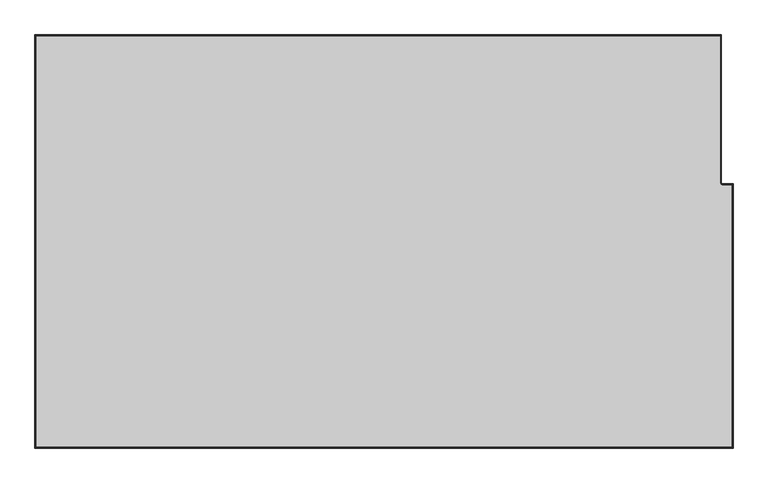
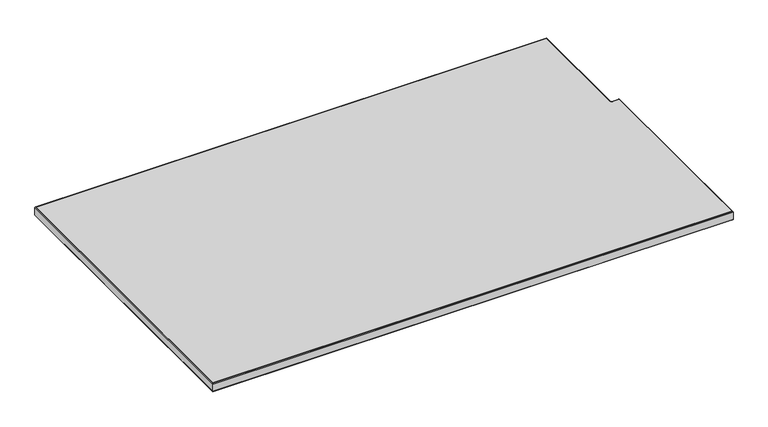
"""IFC4 building model written with IfcOpenShell, lengths in millimetres: furniture geometry."""

from ifc_helpers import new_model, si_unit, frame, origin, place, context, project, spatial, polyline, outline, extrude, faceted_brep, source, transform, mapped, element, save


def furniture_c17f5537(model_context):
    return source(origin(), model_context, "Body", "SolidModel", [
        faceted_brep([(-1523.4142073, 75.4322481, 737.5352142), (-25.9857889, 75.4322481, 737.5352142), (-25.3999962, 76.0180408, 736.1209837), (-1524.0, 76.0180408, 736.1209837), (-1521.9934, 74.0114408, 738.1237311), (-27.4065962, 74.0114408, 738.1237311), (-1521.9934, 74.0114408, 711.1972516), (-27.4065962, 74.0114408, 711.1972516), (-1523.4142073, 75.4322481, 711.7857685), (-25.9857889, 75.4322481, 711.7857685), (-1524.0, 76.0180408, 713.199999), (-25.3999962, 76.0180408, 713.199999), (-25.9857889, -247.0333954, 737.5352142), (-25.3999962, -246.9168738, 736.1209837), (-27.4065962, -247.3160121, 738.1237311), (-27.4065962, -247.3160121, 711.1972516), (-25.9857889, -247.0333954, 711.7857685), (-25.3999962, -246.9168738, 713.199999), (-25.1409832, -249.0729331, 737.5352142), (-24.6926365, -248.6245879, 736.1209837), (-26.2284227, -250.1603692, 738.1237311), (-26.2284227, -250.1603692, 711.1972516), (-25.1409832, -249.0729331, 711.7857685), (-24.6926365, -248.6245879, 713.199999), (-23.1014115, -249.9177605, 737.5352142), (-22.9848889, -249.3319678, 736.1209837), (-23.3840305, -251.3385678, 738.1237311), (-23.3840305, -251.3385678, 711.1972516), (-23.1014115, -249.9177605, 711.7857685), (-22.9848889, -249.3319678, 713.199999), (-0.5857927, -249.9177605, 737.5352142), (0.0, -249.3319678, 736.1209837), (-2.0066, -251.3385678, 738.1237311), (-2.0066, -251.3385678, 711.1972516), (-0.5857927, -249.9177605, 711.7857685), (0.0, -249.3319678, 713.199999), (-0.5857927, -825.0961697, 737.5352142), (0.0, -825.6819624, 736.1209837), (-2.0066, -823.6753624, 738.1237311), (-2.0066, -823.6753624, 711.1972516), (-0.5857927, -825.0961697, 711.7857685), (0.0, -825.6819624, 713.199999), (-1523.4142073, -825.0961697, 737.5352142), (-1524.0, -825.6819624, 736.1209837), (-1521.9934, -823.6753624, 738.1237311), (-1521.9934, -823.6753624, 711.1972516), (-1523.4142073, -825.0961697, 711.7857685), (-1524.0, -825.6819624, 713.199999)], [[[0, 1, 2, 3]], [[4, 5, 1, 0]], [[6, 7, 5, 4]], [[8, 9, 7, 6]], [[10, 11, 9, 8]], [[3, 2, 11, 10]], [[1, 12, 13, 2]], [[5, 14, 12, 1]], [[7, 15, 14, 5]], [[9, 16, 15, 7]], [[11, 17, 16, 9]], [[2, 13, 17, 11]], [[12, 18, 19, 13]], [[14, 20, 18, 12]], [[15, 21, 20, 14]], [[16, 22, 21, 15]], [[17, 23, 22, 16]], [[13, 19, 23, 17]], [[18, 24, 25, 19]], [[20, 26, 24, 18]], [[21, 27, 26, 20]], [[22, 28, 27, 21]], [[23, 29, 28, 22]], [[19, 25, 29, 23]], [[24, 30, 31, 25]], [[26, 32, 30, 24]], [[27, 33, 32, 26]], [[28, 34, 33, 27]], [[29, 35, 34, 28]], [[25, 31, 35, 29]], [[30, 36, 37, 31]], [[32, 38, 36, 30]], [[33, 39, 38, 32]], [[34, 40, 39, 33]], [[35, 41, 40, 34]], [[31, 37, 41, 35]], [[36, 42, 43, 37]], [[38, 44, 42, 36]], [[39, 45, 44, 38]], [[40, 46, 45, 39]], [[41, 47, 46, 40]], [[37, 43, 47, 41]], [[42, 0, 3, 43]], [[44, 4, 0, 42]], [[45, 6, 4, 44]], [[46, 8, 6, 45]], [[47, 10, 8, 46]], [[43, 3, 10, 47]]]),
        extrude(outline(polyline([(-1521.9934, 74.0114408), (-27.4065962, 74.0114408), (-27.4065962, -247.3160121), (-26.2284227, -250.1603692), (-23.3840305, -251.3385678), (-2.0066, -251.3385678), (-2.0066, -823.6753624), (-1521.9934, -823.6753624), (-1521.9934, 74.0114408)])), frame((0.0, 0.0, 714.1209864), z_axis=(0.0, 0.0, 1.0), x_axis=(1.0, 0.0, 0.0)), (0.0, 0.0, 1.0), 24.003),
    ])


if __name__ == "__main__":
    model = new_model("IFC4")
    model_context = context("Model", 3, world=origin())
    ifc_project = project(units=[si_unit("LENGTHUNIT", "METRE", prefix="MILLI")], contexts=[model_context])
    site = spatial("IfcSite", under=ifc_project)
    building = spatial("IfcBuilding", under=site)
    placement = place(None, origin())
    furniture_shape = furniture_c17f5537(model_context)
    element("IfcFurniture", 1, at=placement, inside=building, context=model_context, shape_type="MappedRepresentation", body=[
        mapped(furniture_shape, transform((0.0, 0.0, 0.0), x_axis=(1.0, 0.0, 0.0), y_axis=(0.0, 1.0, 0.0), z_axis=(0.0, 0.0, 1.0))),
    ])
    save(model, "model.ifc")
